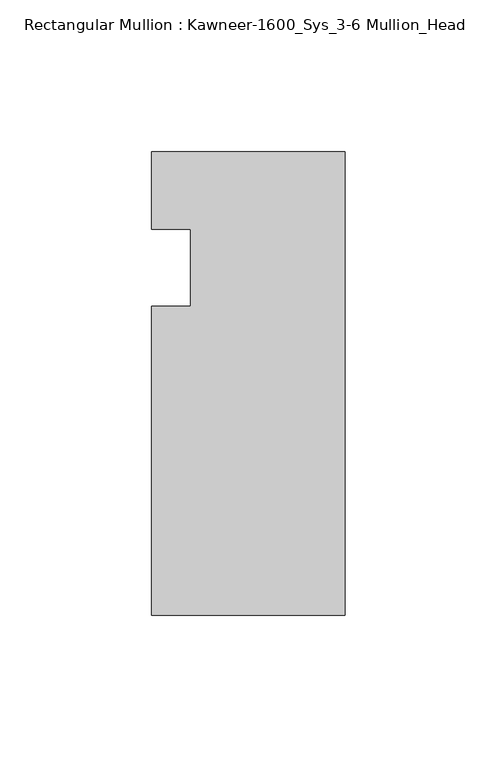
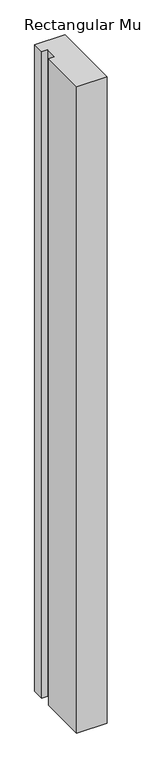
"""IFC4 building model written with IfcOpenShell, lengths in millimetres: member geometry, Rectangular Mullion : Kawneer-1600_Sys_3-6 Mullion_Head."""

from ifc_helpers import new_model, si_unit, frame, origin, place, context, project, spatial, polyline, outline, extrude, source, transform, mapped, element, save


def rectangular_mullion_kawneer_1600_sys_3_6_mullion_head_f3f1471e(model_context):
    return source(origin(), model_context, "Body", "SweptSolid", [
        extrude(outline(polyline([(-63.5, -114.3), (-63.5, -12.7), (-50.7982296, -12.7), (-50.7982296, 12.7), (-63.5, 12.7), (-63.5, 38.1), (0.0, 38.1), (0.0, -114.3), (-63.5, -114.3)])), frame((0.0, 0.0, -1433.0844027), z_axis=(0.0, 0.0, 1.0), x_axis=(1.0, 0.0, 0.0)), (0.0, 0.0, 1.0), 1433.0844027),
    ])


if __name__ == "__main__":
    model = new_model("IFC4")
    model_context = context("Model", 3, world=origin())
    ifc_project = project(units=[si_unit("LENGTHUNIT", "METRE", prefix="MILLI")], contexts=[model_context])
    site = spatial("IfcSite", under=ifc_project)
    building = spatial("IfcBuilding", under=site)
    placement = place(None, origin())
    rectangular_mullion_kawneer_1600_sys_3_6_mullion_head_shape = rectangular_mullion_kawneer_1600_sys_3_6_mullion_head_f3f1471e(model_context)
    element("IfcMember", 1, ObjectType="Rectangular Mullion : Kawneer-1600_Sys_3-6 Mullion_Head", at=placement, inside=building, context=model_context, shape_type="MappedRepresentation", body=[
        mapped(rectangular_mullion_kawneer_1600_sys_3_6_mullion_head_shape, transform((0.0, 0.0, 0.0), x_axis=(1.0, 0.0, 0.0), y_axis=(0.0, 1.0, 0.0), z_axis=(0.0, 0.0, 1.0))),
    ])
    save(model, "model.ifc")
